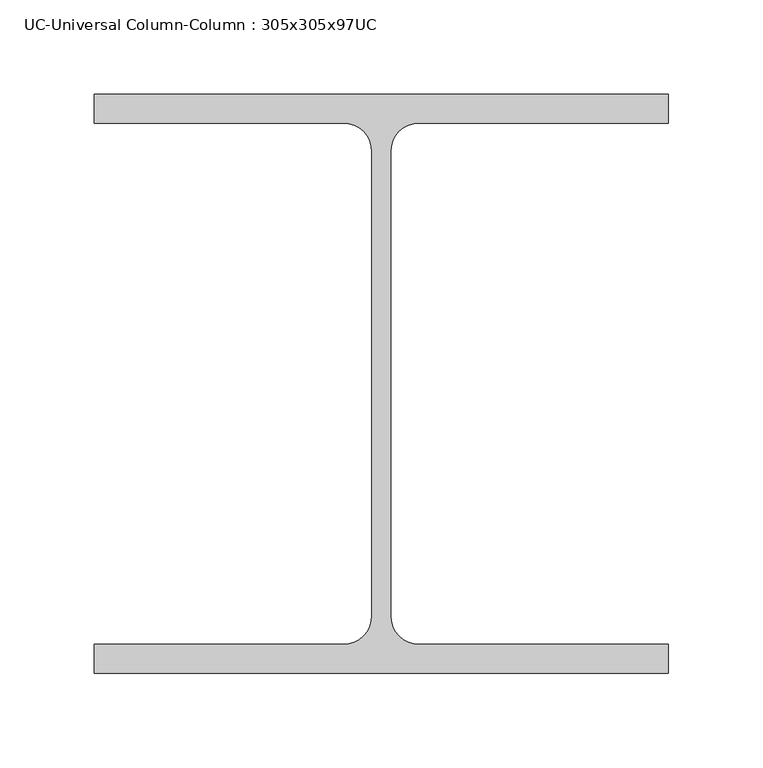
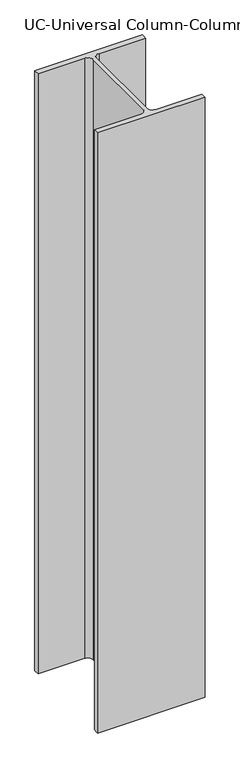
"""IFC4 building model written with IfcOpenShell, lengths in millimetres: column geometry, UC-Universal Column-Column : 305x305x97UC."""

from ifc_helpers import new_model, si_unit, point, frame, frame_2d, origin, place, context, project, spatial, polyline, circle_curve, trimmed, segment, composite_curve, outline, extrude, source, transform, mapped, element, save


def uc_universal_column_column_305x305x97uc_433c2e4c(model_context):
    return source(origin(), model_context, "Body", "SweptSolid", [
        extrude(outline(composite_curve([segment(polyline([(152.65, 153.95), (152.65, 138.55), (20.15, 138.55)]), True, "CONTINUOUS"), segment(trimmed(circle_curve(frame_2d((20.15, 123.35)), 15.2), [point((20.15, 138.55))], [point((4.95, 123.35))], True, "CARTESIAN"), True, "CONTINUOUS"), segment(polyline([(4.95, 123.35), (4.95, -123.35)]), True, "CONTINUOUS"), segment(trimmed(circle_curve(frame_2d((20.15, -123.35)), 15.2), [point((4.95, -123.35))], [point((20.15, -138.55))], True, "CARTESIAN"), True, "CONTINUOUS"), segment(polyline([(20.15, -138.55), (152.65, -138.55), (152.65, -153.95), (-152.65, -153.95), (-152.65, -138.55), (-20.15, -138.55)]), True, "CONTINUOUS"), segment(trimmed(circle_curve(frame_2d((-20.15, -123.35)), 15.2), [point((-20.15, -138.55))], [point((-4.95, -123.35))], True, "CARTESIAN"), True, "CONTINUOUS"), segment(polyline([(-4.95, -123.35), (-4.95, 123.35)]), True, "CONTINUOUS"), segment(trimmed(circle_curve(frame_2d((-20.15, 123.35)), 15.2), [point((-4.95, 123.35))], [point((-20.15, 138.55))], True, "CARTESIAN"), True, "CONTINUOUS"), segment(polyline([(-20.15, 138.55), (-152.65, 138.55), (-152.65, 153.95), (152.65, 153.95)]), True, "CONTINUOUS")], self_intersect=False)), frame((0.0, 0.0, 12962.0), z_axis=(0.0, 0.0, 1.0), x_axis=(1.0, 0.0, 0.0)), (0.0, 0.0, 1.0), 1796.6405947),
    ])


if __name__ == "__main__":
    model = new_model("IFC4")
    model_context = context("Model", 3, world=origin())
    ifc_project = project(units=[si_unit("LENGTHUNIT", "METRE", prefix="MILLI")], contexts=[model_context])
    site = spatial("IfcSite", under=ifc_project)
    building = spatial("IfcBuilding", under=site)
    placement = place(None, origin())
    uc_universal_column_column_305x305x97uc_shape = uc_universal_column_column_305x305x97uc_433c2e4c(model_context)
    element("IfcColumn", 1, ObjectType="UC-Universal Column-Column : 305x305x97UC", at=placement, inside=building, context=model_context, shape_type="MappedRepresentation", body=[
        mapped(uc_universal_column_column_305x305x97uc_shape, transform((0.0, 0.0, 0.0), x_axis=(1.0, 0.0, 0.0), y_axis=(0.0, 1.0, 0.0), z_axis=(0.0, 0.0, 1.0))),
    ])
    save(model, "model.ifc")
